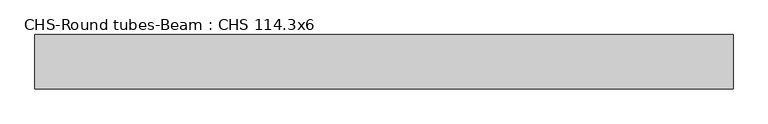
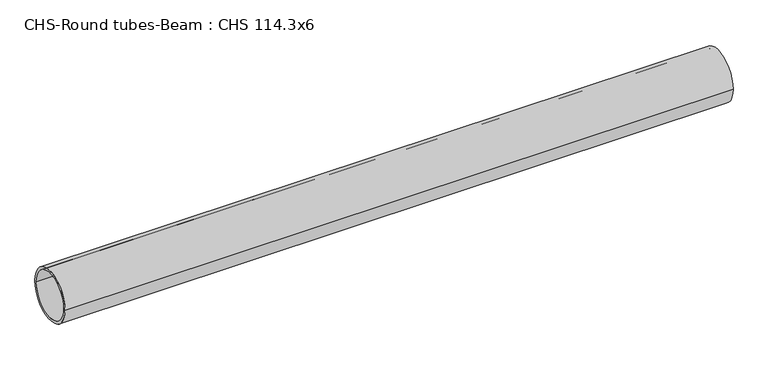
"""IFC4 building model written with IfcOpenShell, lengths in millimetres: beam geometry, CHS-Round tubes-Beam : CHS 114.3x6."""

from ifc_helpers import new_model, si_unit, point, frame, origin, origin_2d, place, context, project, spatial, circle_curve, trimmed, segment, composite_curve, outline, extrude, source, transform, mapped, element, save


def chs_round_tubes_beam_chs_114_3x6_48265a32(model_context):
    return source(origin(), model_context, "Body", "SweptSolid", [
        extrude(outline(composite_curve([segment(trimmed(circle_curve(origin_2d(), 57.15), [point((57.15, 0.0))], [point((-57.15, 0.0))], False, "CARTESIAN"), True, "CONTINUOUS"), segment(trimmed(circle_curve(origin_2d(), 57.15), [point((-57.15, 0.0))], [point((57.15, 0.0))], False, "CARTESIAN"), True, "CONTINUOUS")], self_intersect=False), holes=[composite_curve([segment(trimmed(circle_curve(origin_2d(), 51.15), [point((51.15, 0.0))], [point((-51.15, 0.0))], True, "CARTESIAN"), True, "CONTINUOUS"), segment(trimmed(circle_curve(origin_2d(), 51.15), [point((-51.15, 0.0))], [point((51.15, 0.0))], True, "CARTESIAN"), True, "CONTINUOUS")], self_intersect=False)]), frame((-702.4623147, 0.0, 0.0), z_axis=(1.0, 0.0, 0.0), x_axis=(0.0, 1.0, 0.0)), (0.0, 0.0, 1.0), 1465.2861742),
    ])


if __name__ == "__main__":
    model = new_model("IFC4")
    model_context = context("Model", 3, world=origin())
    ifc_project = project(units=[si_unit("LENGTHUNIT", "METRE", prefix="MILLI")], contexts=[model_context])
    site = spatial("IfcSite", under=ifc_project)
    building = spatial("IfcBuilding", under=site)
    placement = place(None, origin())
    chs_round_tubes_beam_chs_114_3x6_shape = chs_round_tubes_beam_chs_114_3x6_48265a32(model_context)
    element("IfcBeam", 1, ObjectType="CHS-Round tubes-Beam : CHS 114.3x6", at=placement, inside=building, context=model_context, shape_type="MappedRepresentation", body=[
        mapped(chs_round_tubes_beam_chs_114_3x6_shape, transform((0.0, 0.0, 0.0), x_axis=(1.0, 0.0, 0.0), y_axis=(0.0, 1.0, 0.0), z_axis=(0.0, 0.0, 1.0))),
    ])
    save(model, "model.ifc")
